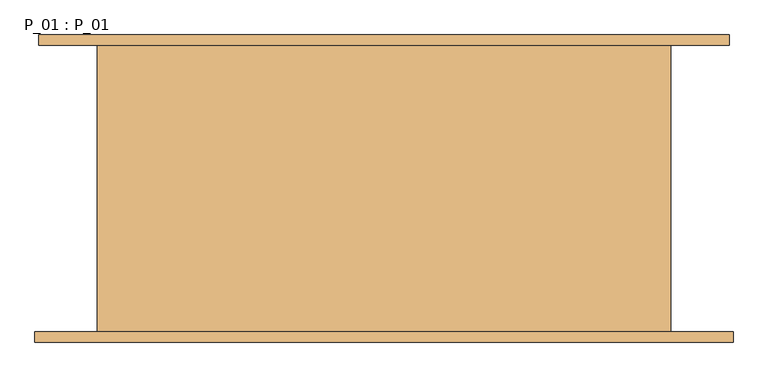
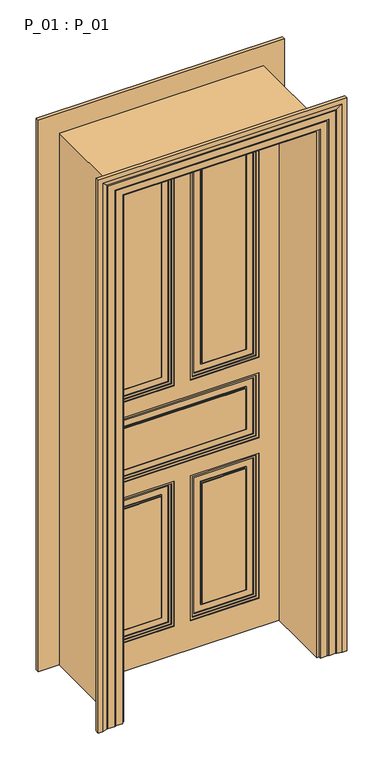
"""IFC4 building model written with IfcOpenShell, lengths in millimetres: door geometry, P_01 : P_01."""

from ifc_helpers import new_model, si_unit, frame, origin, origin_with_axes, place, context, project, spatial, polyline, outline, extrude, faceted_brep, source, transform, mapped, element, save


def p_01_p_01_9057811a(model_context):
    return source(origin(), model_context, "Body", "SolidModel", [
        extrude(outline(polyline([(2300.0, 45.0), (1235.0, 45.0), (1235.0, 320.0), (2300.0, 320.0), (2300.0, 45.0)]), holes=[polyline([(2290.0, 55.0), (2290.0, 310.0), (1245.0, 310.0), (1245.0, 55.0), (2290.0, 55.0)])]), frame((0.0, 71.0, 0.0), z_axis=(0.0, 1.0, 0.0), x_axis=(0.0, 0.0, 1.0)), (0.0, 0.0, 1.0), 4.0),
        extrude(outline(polyline([(2300.0, -320.0), (1235.0, -320.0), (1235.0, -45.0), (2300.0, -45.0), (2300.0, -320.0)]), holes=[polyline([(2290.0, -310.0), (2290.0, -55.0), (1245.0, -55.0), (1245.0, -310.0), (2290.0, -310.0)])]), frame((0.0, 71.0, 0.0), z_axis=(0.0, 1.0, 0.0), x_axis=(0.0, 0.0, 1.0)), (0.0, 0.0, 1.0), 4.0),
        extrude(outline(polyline([(780.0, 45.0), (140.0, 45.0), (140.0, 320.0), (780.0, 320.0), (780.0, 45.0)]), holes=[polyline([(770.0, 55.0), (770.0, 310.0), (150.0, 310.0), (150.0, 55.0), (770.0, 55.0)])]), frame((0.0, 71.0, 0.0), z_axis=(0.0, 1.0, 0.0), x_axis=(0.0, 0.0, 1.0)), (0.0, 0.0, 1.0), 4.0),
        extrude(outline(polyline([(780.0, -320.0), (140.0, -320.0), (140.0, -45.0), (780.0, -45.0), (780.0, -320.0)]), holes=[polyline([(770.0, -310.0), (770.0, -55.0), (150.0, -55.0), (150.0, -310.0), (770.0, -310.0)])]), frame((0.0, 71.0, 0.0), z_axis=(0.0, 1.0, 0.0), x_axis=(0.0, 0.0, 1.0)), (0.0, 0.0, 1.0), 4.0),
        extrude(outline(polyline([(740.0, 85.0), (180.0, 85.0), (180.0, 280.0), (740.0, 280.0), (740.0, 85.0)]), holes=[polyline([(735.0, 90.0), (735.0, 275.0), (185.0, 275.0), (185.0, 90.0), (735.0, 90.0)])]), frame((0.0, 71.0, 0.0), z_axis=(0.0, 1.0, 0.0), x_axis=(0.0, 0.0, 1.0)), (0.0, 0.0, 1.0), 4.0),
        extrude(outline(polyline([(740.0, -280.0), (180.0, -280.0), (180.0, -85.0), (740.0, -85.0), (740.0, -280.0)]), holes=[polyline([(735.0, -275.0), (735.0, -90.0), (185.0, -90.0), (185.0, -275.0), (735.0, -275.0)])]), frame((0.0, 71.0, 0.0), z_axis=(0.0, 1.0, 0.0), x_axis=(0.0, 0.0, 1.0)), (0.0, 0.0, 1.0), 4.0),
        extrude(outline(polyline([(1145.0, -320.0), (870.0, -320.0), (870.0, 320.0), (1145.0, 320.0), (1145.0, -320.0)]), holes=[polyline([(1135.0, -310.0), (1135.0, 310.0), (880.0, 310.0), (880.0, -310.0), (1135.0, -310.0)])]), frame((0.0, 71.0, 0.0), z_axis=(0.0, 1.0, 0.0), x_axis=(0.0, 0.0, 1.0)), (0.0, 0.0, 1.0), 4.0),
        extrude(outline(polyline([(1105.0, -280.0), (910.0, -280.0), (910.0, 280.0), (1105.0, 280.0), (1105.0, -280.0)]), holes=[polyline([(1100.0, -275.0), (1100.0, 275.0), (915.0, 275.0), (915.0, -275.0), (1100.0, -275.0)])]), frame((0.0, 71.0, 0.0), z_axis=(0.0, 1.0, 0.0), x_axis=(0.0, 0.0, 1.0)), (0.0, 0.0, 1.0), 4.0),
        extrude(outline(polyline([(2260.0, 85.0), (1275.0, 85.0), (1275.0, 280.0), (2260.0, 280.0), (2260.0, 85.0)]), holes=[polyline([(2255.0, 90.0), (2255.0, 275.0), (1280.0, 275.0), (1280.0, 90.0), (2255.0, 90.0)])]), frame((0.0, 71.0, 0.0), z_axis=(0.0, 1.0, 0.0), x_axis=(0.0, 0.0, 1.0)), (0.0, 0.0, 1.0), 4.0),
        extrude(outline(polyline([(1275.0, -280.0), (1275.0, -85.0), (2260.0, -85.0), (2260.0, -280.0), (1275.0, -280.0)]), holes=[polyline([(1280.0, -275.0), (2255.0, -275.0), (2255.0, -90.0), (1280.0, -90.0), (1280.0, -275.0)])]), frame((0.0, 71.0, 0.0), z_axis=(0.0, 1.0, 0.0), x_axis=(0.0, 0.0, 1.0)), (0.0, 0.0, 1.0), 4.0),
        extrude(outline(polyline([(90.0, 75.0), (275.0, 75.0), (275.0, 67.0), (90.0, 67.0), (90.0, 75.0)])), frame((0.0, 0.0, 185.0), z_axis=(0.0, 0.0, 1.0), x_axis=(1.0, 0.0, 0.0)), (0.0, 0.0, 1.0), 550.0),
        extrude(outline(polyline([(-275.0, 75.0), (-90.0, 75.0), (-90.0, 67.0), (-275.0, 67.0), (-275.0, 75.0)])), frame((0.0, 0.0, 185.0), z_axis=(0.0, 0.0, 1.0), x_axis=(1.0, 0.0, 0.0)), (0.0, 0.0, 1.0), 550.0),
        extrude(outline(polyline([(-275.0, 75.0), (275.0, 75.0), (275.0, 67.0), (-275.0, 67.0), (-275.0, 75.0)])), frame((0.0, 0.0, 915.0), z_axis=(0.0, 0.0, 1.0), x_axis=(1.0, 0.0, 0.0)), (0.0, 0.0, 1.0), 185.0),
        extrude(outline(polyline([(90.0, 75.0), (275.0, 75.0), (275.0, 67.0), (90.0, 67.0), (90.0, 75.0)])), frame((0.0, 0.0, 1280.0), z_axis=(0.0, 0.0, 1.0), x_axis=(1.0, 0.0, 0.0)), (0.0, 0.0, 1.0), 975.0),
        extrude(outline(polyline([(-275.0, 75.0), (-90.0, 75.0), (-90.0, 67.0), (-275.0, 67.0), (-275.0, 75.0)])), frame((0.0, 0.0, 1280.0), z_axis=(0.0, 0.0, 1.0), x_axis=(1.0, 0.0, 0.0)), (0.0, 0.0, 1.0), 975.0),
        extrude(outline(polyline([(2310.0, -35.0), (2310.0, -330.0), (1225.0, -330.0), (1225.0, -35.0), (2310.0, -35.0)]), holes=[polyline([(2300.0, -320.0), (2300.0, -45.0), (1235.0, -45.0), (1235.0, -320.0), (2300.0, -320.0)])]), frame((0.0, 67.0, 0.0), z_axis=(0.0, 1.0, 0.0), x_axis=(0.0, 0.0, 1.0)), (0.0, 0.0, 1.0), 8.0),
        extrude(outline(polyline([(1225.0, 330.0), (2310.0, 330.0), (2310.0, 35.0), (1225.0, 35.0), (1225.0, 330.0)]), holes=[polyline([(2300.0, 45.0), (2300.0, 320.0), (1235.0, 320.0), (1235.0, 45.0), (2300.0, 45.0)])]), frame((0.0, 67.0, 0.0), z_axis=(0.0, 1.0, 0.0), x_axis=(0.0, 0.0, 1.0)), (0.0, 0.0, 1.0), 8.0),
        extrude(outline(polyline([(790.0, -330.0), (130.0, -330.0), (130.0, -35.0), (790.0, -35.0), (790.0, -330.0)]), holes=[polyline([(780.0, -320.0), (780.0, -45.0), (140.0, -45.0), (140.0, -320.0), (780.0, -320.0)])]), frame((0.0, 67.0, 0.0), z_axis=(0.0, 1.0, 0.0), x_axis=(0.0, 0.0, 1.0)), (0.0, 0.0, 1.0), 8.0),
        extrude(outline(polyline([(130.0, 330.0), (790.0, 330.0), (790.0, 35.0), (130.0, 35.0), (130.0, 330.0)]), holes=[polyline([(780.0, 45.0), (780.0, 320.0), (140.0, 320.0), (140.0, 45.0), (780.0, 45.0)])]), frame((0.0, 67.0, 0.0), z_axis=(0.0, 1.0, 0.0), x_axis=(0.0, 0.0, 1.0)), (0.0, 0.0, 1.0), 8.0),
        extrude(outline(polyline([(1155.0, -330.0), (860.0, -330.0), (860.0, 330.0), (1155.0, 330.0), (1155.0, -330.0)]), holes=[polyline([(1145.0, -320.0), (1145.0, 320.0), (870.0, 320.0), (870.0, -320.0), (1145.0, -320.0)])]), frame((0.0, 67.0, 0.0), z_axis=(0.0, 1.0, 0.0), x_axis=(0.0, 0.0, 1.0)), (0.0, 0.0, 1.0), 8.0),
        extrude(outline(polyline([(0.0, 415.0), (2395.0, 415.0), (2395.0, -415.0), (0.0, -415.0), (0.0, 415.0)]), holes=[polyline([(1225.0, 35.0), (2310.0, 35.0), (2310.0, 330.0), (1225.0, 330.0), (1225.0, 35.0)]), polyline([(1225.0, -35.0), (1225.0, -330.0), (2310.0, -330.0), (2310.0, -35.0), (1225.0, -35.0)]), polyline([(790.0, -35.0), (130.0, -35.0), (130.0, -330.0), (790.0, -330.0), (790.0, -35.0)]), polyline([(130.0, 35.0), (790.0, 35.0), (790.0, 330.0), (130.0, 330.0), (130.0, 35.0)]), polyline([(1155.0, 330.0), (860.0, 330.0), (860.0, -330.0), (1155.0, -330.0), (1155.0, 330.0)])]), frame((0.0, 63.0, 0.0), z_axis=(0.0, 1.0, 0.0), x_axis=(0.0, 0.0, 1.0)), (0.0, 0.0, 1.0), 12.0),
        extrude(outline(polyline([(275.0, 85.0), (90.0, 85.0), (90.0, 93.0), (275.0, 93.0), (275.0, 85.0)])), frame((0.0, 0.0, 185.0), z_axis=(0.0, 0.0, 1.0), x_axis=(1.0, 0.0, 0.0)), (0.0, 0.0, 1.0), 550.0),
        extrude(outline(polyline([(-90.0, 85.0), (-275.0, 85.0), (-275.0, 93.0), (-90.0, 93.0), (-90.0, 85.0)])), frame((0.0, 0.0, 185.0), z_axis=(0.0, 0.0, 1.0), x_axis=(1.0, 0.0, 0.0)), (0.0, 0.0, 1.0), 550.0),
        extrude(outline(polyline([(275.0, 85.0), (-275.0, 85.0), (-275.0, 93.0), (275.0, 93.0), (275.0, 85.0)])), frame((0.0, 0.0, 915.0), z_axis=(0.0, 0.0, 1.0), x_axis=(1.0, 0.0, 0.0)), (0.0, 0.0, 1.0), 185.0),
        extrude(outline(polyline([(275.0, 85.0), (90.0, 85.0), (90.0, 93.0), (275.0, 93.0), (275.0, 85.0)])), frame((0.0, 0.0, 1280.0), z_axis=(0.0, 0.0, 1.0), x_axis=(1.0, 0.0, 0.0)), (0.0, 0.0, 1.0), 975.0),
        extrude(outline(polyline([(-90.0, 85.0), (-275.0, 85.0), (-275.0, 93.0), (-90.0, 93.0), (-90.0, 85.0)])), frame((0.0, 0.0, 1280.0), z_axis=(0.0, 0.0, 1.0), x_axis=(1.0, 0.0, 0.0)), (0.0, 0.0, 1.0), 975.0),
        extrude(outline(polyline([(420.0, 75.0), (-420.0, 75.0), (-420.0, 85.0), (420.0, 85.0), (420.0, 75.0)])), origin_with_axes(), (0.0, 0.0, 1.0), 2400.0),
        extrude(outline(polyline([(2300.0, 45.0), (1235.0, 45.0), (1235.0, 320.0), (2300.0, 320.0), (2300.0, 45.0)]), holes=[polyline([(2290.0, 55.0), (2290.0, 310.0), (1245.0, 310.0), (1245.0, 55.0), (2290.0, 55.0)])]), frame((0.0, 85.0, 0.0), z_axis=(0.0, 1.0, 0.0), x_axis=(0.0, 0.0, 1.0)), (0.0, 0.0, 1.0), 4.0),
        extrude(outline(polyline([(2300.0, -320.0), (1235.0, -320.0), (1235.0, -45.0), (2300.0, -45.0), (2300.0, -320.0)]), holes=[polyline([(2290.0, -310.0), (2290.0, -55.0), (1245.0, -55.0), (1245.0, -310.0), (2290.0, -310.0)])]), frame((0.0, 85.0, 0.0), z_axis=(0.0, 1.0, 0.0), x_axis=(0.0, 0.0, 1.0)), (0.0, 0.0, 1.0), 4.0),
        extrude(outline(polyline([(780.0, 45.0), (140.0, 45.0), (140.0, 320.0), (780.0, 320.0), (780.0, 45.0)]), holes=[polyline([(770.0, 55.0), (770.0, 310.0), (150.0, 310.0), (150.0, 55.0), (770.0, 55.0)])]), frame((0.0, 85.0, 0.0), z_axis=(0.0, 1.0, 0.0), x_axis=(0.0, 0.0, 1.0)), (0.0, 0.0, 1.0), 4.0),
        extrude(outline(polyline([(780.0, -320.0), (140.0, -320.0), (140.0, -45.0), (780.0, -45.0), (780.0, -320.0)]), holes=[polyline([(770.0, -310.0), (770.0, -55.0), (150.0, -55.0), (150.0, -310.0), (770.0, -310.0)])]), frame((0.0, 85.0, 0.0), z_axis=(0.0, 1.0, 0.0), x_axis=(0.0, 0.0, 1.0)), (0.0, 0.0, 1.0), 4.0),
        extrude(outline(polyline([(740.0, 85.0), (180.0, 85.0), (180.0, 280.0), (740.0, 280.0), (740.0, 85.0)]), holes=[polyline([(735.0, 90.0), (735.0, 275.0), (185.0, 275.0), (185.0, 90.0), (735.0, 90.0)])]), frame((0.0, 85.0, 0.0), z_axis=(0.0, 1.0, 0.0), x_axis=(0.0, 0.0, 1.0)), (0.0, 0.0, 1.0), 4.0),
        extrude(outline(polyline([(740.0, -280.0), (180.0, -280.0), (180.0, -85.0), (740.0, -85.0), (740.0, -280.0)]), holes=[polyline([(735.0, -275.0), (735.0, -90.0), (185.0, -90.0), (185.0, -275.0), (735.0, -275.0)])]), frame((0.0, 85.0, 0.0), z_axis=(0.0, 1.0, 0.0), x_axis=(0.0, 0.0, 1.0)), (0.0, 0.0, 1.0), 4.0),
        extrude(outline(polyline([(1145.0, -320.0), (870.0, -320.0), (870.0, 320.0), (1145.0, 320.0), (1145.0, -320.0)]), holes=[polyline([(1135.0, -310.0), (1135.0, 310.0), (880.0, 310.0), (880.0, -310.0), (1135.0, -310.0)])]), frame((0.0, 85.0, 0.0), z_axis=(0.0, 1.0, 0.0), x_axis=(0.0, 0.0, 1.0)), (0.0, 0.0, 1.0), 4.0),
        extrude(outline(polyline([(1105.0, -280.0), (910.0, -280.0), (910.0, 280.0), (1105.0, 280.0), (1105.0, -280.0)]), holes=[polyline([(1100.0, -275.0), (1100.0, 275.0), (915.0, 275.0), (915.0, -275.0), (1100.0, -275.0)])]), frame((0.0, 85.0, 0.0), z_axis=(0.0, 1.0, 0.0), x_axis=(0.0, 0.0, 1.0)), (0.0, 0.0, 1.0), 4.0),
        extrude(outline(polyline([(2260.0, 85.0), (1275.0, 85.0), (1275.0, 280.0), (2260.0, 280.0), (2260.0, 85.0)]), holes=[polyline([(2255.0, 90.0), (2255.0, 275.0), (1280.0, 275.0), (1280.0, 90.0), (2255.0, 90.0)])]), frame((0.0, 85.0, 0.0), z_axis=(0.0, 1.0, 0.0), x_axis=(0.0, 0.0, 1.0)), (0.0, 0.0, 1.0), 4.0),
        extrude(outline(polyline([(1275.0, -280.0), (1275.0, -85.0), (2260.0, -85.0), (2260.0, -280.0), (1275.0, -280.0)]), holes=[polyline([(1280.0, -275.0), (2255.0, -275.0), (2255.0, -90.0), (1280.0, -90.0), (1280.0, -275.0)])]), frame((0.0, 85.0, 0.0), z_axis=(0.0, 1.0, 0.0), x_axis=(0.0, 0.0, 1.0)), (0.0, 0.0, 1.0), 4.0),
        extrude(outline(polyline([(2310.0, -35.0), (2310.0, -330.0), (1225.0, -330.0), (1225.0, -35.0), (2310.0, -35.0)]), holes=[polyline([(2300.0, -320.0), (2300.0, -45.0), (1235.0, -45.0), (1235.0, -320.0), (2300.0, -320.0)])]), frame((0.0, 85.0, 0.0), z_axis=(0.0, 1.0, 0.0), x_axis=(0.0, 0.0, 1.0)), (0.0, 0.0, 1.0), 8.0),
        extrude(outline(polyline([(1225.0, 330.0), (2310.0, 330.0), (2310.0, 35.0), (1225.0, 35.0), (1225.0, 330.0)]), holes=[polyline([(2300.0, 45.0), (2300.0, 320.0), (1235.0, 320.0), (1235.0, 45.0), (2300.0, 45.0)])]), frame((0.0, 85.0, 0.0), z_axis=(0.0, 1.0, 0.0), x_axis=(0.0, 0.0, 1.0)), (0.0, 0.0, 1.0), 8.0),
        extrude(outline(polyline([(790.0, -330.0), (130.0, -330.0), (130.0, -35.0), (790.0, -35.0), (790.0, -330.0)]), holes=[polyline([(780.0, -320.0), (780.0, -45.0), (140.0, -45.0), (140.0, -320.0), (780.0, -320.0)])]), frame((0.0, 85.0, 0.0), z_axis=(0.0, 1.0, 0.0), x_axis=(0.0, 0.0, 1.0)), (0.0, 0.0, 1.0), 8.0),
        extrude(outline(polyline([(130.0, 330.0), (790.0, 330.0), (790.0, 35.0), (130.0, 35.0), (130.0, 330.0)]), holes=[polyline([(780.0, 45.0), (780.0, 320.0), (140.0, 320.0), (140.0, 45.0), (780.0, 45.0)])]), frame((0.0, 85.0, 0.0), z_axis=(0.0, 1.0, 0.0), x_axis=(0.0, 0.0, 1.0)), (0.0, 0.0, 1.0), 8.0),
        extrude(outline(polyline([(1155.0, -330.0), (860.0, -330.0), (860.0, 330.0), (1155.0, 330.0), (1155.0, -330.0)]), holes=[polyline([(1145.0, -320.0), (1145.0, 320.0), (870.0, 320.0), (870.0, -320.0), (1145.0, -320.0)])]), frame((0.0, 85.0, 0.0), z_axis=(0.0, 1.0, 0.0), x_axis=(0.0, 0.0, 1.0)), (0.0, 0.0, 1.0), 8.0),
        extrude(outline(polyline([(0.0, 415.0), (2395.0, 415.0), (2395.0, -415.0), (0.0, -415.0), (0.0, 415.0)]), holes=[polyline([(1225.0, 35.0), (2310.0, 35.0), (2310.0, 330.0), (1225.0, 330.0), (1225.0, 35.0)]), polyline([(1225.0, -35.0), (1225.0, -330.0), (2310.0, -330.0), (2310.0, -35.0), (1225.0, -35.0)]), polyline([(790.0, -35.0), (130.0, -35.0), (130.0, -330.0), (790.0, -330.0), (790.0, -35.0)]), polyline([(130.0, 35.0), (790.0, 35.0), (790.0, 330.0), (130.0, 330.0), (130.0, 35.0)]), polyline([(1155.0, 330.0), (860.0, 330.0), (860.0, -330.0), (1155.0, -330.0), (1155.0, 330.0)])]), frame((0.0, 85.0, 0.0), z_axis=(0.0, 1.0, 0.0), x_axis=(0.0, 0.0, 1.0)), (0.0, 0.0, 1.0), 12.0),
        extrude(outline(polyline([(0.0, 415.0), (0.0, 420.0), (2400.0, 420.0), (2400.0, -420.0), (0.0, -420.0), (0.0, -415.0), (2395.0, -415.0), (2395.0, 415.0), (0.0, 415.0)])), frame((0.0, 85.0, 0.0), z_axis=(0.0, 1.0, 0.0), x_axis=(0.0, 0.0, 1.0)), (0.0, 0.0, 1.0), 5.0),
        faceted_brep([(530.0, 220.0, 0.0), (440.0, 220.0, 0.0), (440.0, -220.0, 0.0), (536.0, -220.0, 0.0), (536.0, -236.0, 0.0), (516.0, -236.0, 0.0), (496.0, -232.0291126, 0.0), (496.0, -231.0291126, 0.0), (491.0, -231.0291126, 0.0), (491.0, -230.0291126, 0.0), (461.0, -230.0291126, 0.0), (461.0, -229.0291126, 0.0), (456.0, -229.0291126, 0.0), (456.0, -228.0291126, 0.0), (426.0, -228.0291126, 0.0), (426.0, -220.0, 0.0), (416.0, -220.0, 0.0), (416.0, 220.0, 0.0), (426.0, 220.0, 0.0), (426.0, 228.0291126, 0.0), (456.0, 228.0291126, 0.0), (456.0, 229.0291126, 0.0), (461.0, 229.0291126, 0.0), (461.0, 230.0291126, 0.0), (485.0, 230.0291126, 0.0), (485.0, 231.0291126, 0.0), (490.0, 231.0291126, 0.0), (490.0, 232.0291126, 0.0), (510.0, 236.0, 0.0), (530.0, 236.0, 0.0), (530.0, 220.0, 2510.0), (-530.0, 220.0, 2510.0), (-530.0, 220.0, 0.0), (-440.0, 220.0, 0.0), (-440.0, 220.0, 2420.0), (440.0, 220.0, 2420.0), (440.0, -220.0, 2420.0), (-440.0, -220.0, 2420.0), (-440.0, -220.0, 0.0), (-536.0, -220.0, 0.0), (-536.0, -220.0, 2516.0), (536.0, -220.0, 2516.0), (536.0, -236.0, 2516.0), (-536.0, -236.0, 2516.0), (-536.0, -236.0, 0.0), (-516.0, -236.0, 0.0), (-516.0, -236.0, 2496.0), (516.0, -236.0, 2496.0), (496.0, -232.0291126, 2476.0), (496.0, -231.0291126, 2476.0), (-496.0, -231.0291126, 2476.0), (-496.0, -231.0291126, 0.0), (-491.0, -231.0291126, 0.0), (-491.0, -231.0291126, 2471.0), (491.0, -231.0291126, 2471.0), (491.0, -230.0291126, 2471.0), (-491.0, -230.0291126, 2471.0), (-491.0, -230.0291126, 0.0), (-461.0, -230.0291126, 0.0), (-461.0, -230.0291126, 2441.0), (461.0, -230.0291126, 2441.0), (461.0, -229.0291126, 2441.0), (-461.0, -229.0291126, 2441.0), (-461.0, -229.0291126, 0.0), (-456.0, -229.0291126, 0.0), (-456.0, -229.0291126, 2436.0), (456.0, -229.0291126, 2436.0), (456.0, -228.0291126, 2436.0), (-456.0, -228.0291126, 2436.0), (-456.0, -228.0291126, 0.0), (-426.0, -228.0291126, 0.0), (-426.0, -228.0291126, 2406.0), (426.0, -228.0291126, 2406.0), (426.0, -220.0, 2406.0), (-426.0, -220.0, 2406.0), (-426.0, -220.0, 0.0), (-416.0, -220.0, 0.0), (-416.0, -220.0, 2396.0), (416.0, -220.0, 2396.0), (416.0, 220.0, 2396.0), (-416.0, 220.0, 2396.0), (-416.0, 220.0, 0.0), (-426.0, 220.0, 0.0), (-426.0, 220.0, 2406.0), (426.0, 220.0, 2406.0), (426.0, 228.0291126, 2406.0), (-426.0, 228.0291126, 2406.0), (-426.0, 228.0291126, 0.0), (-456.0, 228.0291126, 0.0), (-456.0, 228.0291126, 2436.0), (456.0, 228.0291126, 2436.0), (456.0, 229.0291126, 2436.0), (-456.0, 229.0291126, 2436.0), (-456.0, 229.0291126, 0.0), (-461.0, 229.0291126, 0.0), (-461.0, 229.0291126, 2441.0), (461.0, 229.0291126, 2441.0), (461.0, 230.0291126, 2441.0), (-461.0, 230.0291126, 2441.0), (-461.0, 230.0291126, 0.0), (-485.0, 230.0291126, 0.0), (-485.0, 230.0291126, 2465.0), (485.0, 230.0291126, 2465.0), (485.0, 231.0291126, 2465.0), (-485.0, 231.0291126, 2465.0), (-485.0, 231.0291126, 0.0), (-490.0, 231.0291126, 0.0), (-490.0, 231.0291126, 2470.0), (490.0, 231.0291126, 2470.0), (490.0, 232.0291126, 2470.0), (510.0, 236.0, 2490.0), (-510.0, 236.0, 2490.0), (-510.0, 236.0, 0.0), (-530.0, 236.0, 0.0), (-530.0, 236.0, 2510.0), (530.0, 236.0, 2510.0), (-490.0, 232.0291126, 0.0), (-496.0, -232.0291126, 0.0), (-490.0, 232.0291126, 2470.0), (-496.0, -232.0291126, 2476.0)], [[[0, 1, 2, 3, 4, 5, 6, 7, 8, 9, 10, 11, 12, 13, 14, 15, 16, 17, 18, 19, 20, 21, 22, 23, 24, 25, 26, 27, 28, 29]], [[1, 0, 30, 31, 32, 33, 34, 35]], [[2, 1, 35, 36]], [[3, 2, 36, 37, 38, 39, 40, 41]], [[4, 3, 41, 42]], [[5, 4, 42, 43, 44, 45, 46, 47]], [[6, 5, 47, 48]], [[7, 6, 48, 49]], [[8, 7, 49, 50, 51, 52, 53, 54]], [[9, 8, 54, 55]], [[10, 9, 55, 56, 57, 58, 59, 60]], [[11, 10, 60, 61]], [[12, 11, 61, 62, 63, 64, 65, 66]], [[13, 12, 66, 67]], [[14, 13, 67, 68, 69, 70, 71, 72]], [[15, 14, 72, 73]], [[16, 15, 73, 74, 75, 76, 77, 78]], [[17, 16, 78, 79]], [[18, 17, 79, 80, 81, 82, 83, 84]], [[19, 18, 84, 85]], [[20, 19, 85, 86, 87, 88, 89, 90]], [[21, 20, 90, 91]], [[22, 21, 91, 92, 93, 94, 95, 96]], [[23, 22, 96, 97]], [[24, 23, 97, 98, 99, 100, 101, 102]], [[25, 24, 102, 103]], [[26, 25, 103, 104, 105, 106, 107, 108]], [[27, 26, 108, 109]], [[28, 27, 109, 110]], [[29, 28, 110, 111, 112, 113, 114, 115]], [[0, 29, 115, 30]], [[31, 114, 113, 32]], [[32, 113, 112, 116, 106, 105, 100, 99, 94, 93, 88, 87, 82, 81, 76, 75, 70, 69, 64, 63, 58, 57, 52, 51, 117, 45, 44, 39, 38, 33]], [[37, 34, 33, 38]], [[74, 71, 70, 75]], [[80, 77, 76, 81]], [[86, 83, 82, 87]], [[111, 118, 116, 112]], [[118, 107, 106, 116]], [[104, 101, 100, 105]], [[98, 95, 94, 99]], [[92, 89, 88, 93]], [[68, 65, 64, 69]], [[62, 59, 58, 63]], [[56, 53, 52, 57]], [[50, 119, 117, 51]], [[119, 46, 45, 117]], [[43, 40, 39, 44]], [[30, 115, 114, 31]], [[36, 35, 34, 37]], [[73, 72, 71, 74]], [[79, 78, 77, 80]], [[85, 84, 83, 86]], [[91, 90, 89, 92]], [[97, 96, 95, 98]], [[103, 102, 101, 104]], [[109, 108, 107, 118]], [[110, 109, 118, 111]], [[42, 41, 40, 43]], [[48, 47, 46, 119]], [[49, 48, 119, 50]], [[55, 54, 53, 56]], [[61, 60, 59, 62]], [[67, 66, 65, 68]]]),
    ])


if __name__ == "__main__":
    model = new_model("IFC4")
    model_context = context("Model", 3, world=origin())
    ifc_project = project(units=[si_unit("LENGTHUNIT", "METRE", prefix="MILLI")], contexts=[model_context])
    site = spatial("IfcSite", under=ifc_project)
    building = spatial("IfcBuilding", under=site)
    placement = place(None, origin())
    p_01_p_01_shape = p_01_p_01_9057811a(model_context)
    element("IfcDoor", 1, ObjectType="P_01 : P_01", at=placement, inside=building, context=model_context, shape_type="MappedRepresentation", body=[
        mapped(p_01_p_01_shape, transform((0.0, 0.0, 0.0), x_axis=(1.0, 0.0, 0.0), y_axis=(0.0, 1.0, 0.0), z_axis=(0.0, 0.0, 1.0))),
    ])
    save(model, "model.ifc")
